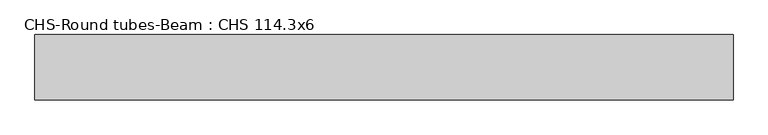
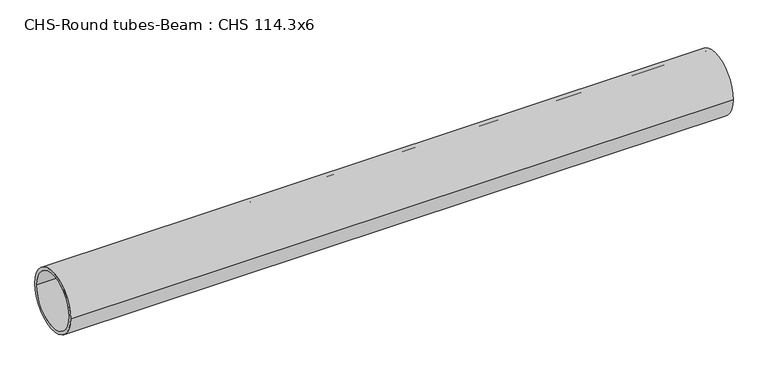
"""IFC4 building model written with IfcOpenShell, lengths in millimetres: beam geometry, CHS-Round tubes-Beam : CHS 114.3x6."""

from ifc_helpers import new_model, si_unit, point, frame, origin, origin_2d, place, context, project, spatial, circle_curve, trimmed, segment, composite_curve, outline, extrude, source, transform, mapped, element, save


def chs_round_tubes_beam_chs_114_3x6_b63eda81(model_context):
    return source(origin(), model_context, "Body", "SweptSolid", [
        extrude(outline(composite_curve([segment(trimmed(circle_curve(origin_2d(), 57.15), [point((57.15, 0.0))], [point((-57.15, 0.0))], False, "CARTESIAN"), True, "CONTINUOUS"), segment(trimmed(circle_curve(origin_2d(), 57.15), [point((-57.15, 0.0))], [point((57.15, 0.0))], False, "CARTESIAN"), True, "CONTINUOUS")], self_intersect=False), holes=[composite_curve([segment(trimmed(circle_curve(origin_2d(), 51.15), [point((51.15, 0.0))], [point((-51.15, 0.0))], True, "CARTESIAN"), True, "CONTINUOUS"), segment(trimmed(circle_curve(origin_2d(), 51.15), [point((-51.15, 0.0))], [point((51.15, 0.0))], True, "CARTESIAN"), True, "CONTINUOUS")], self_intersect=False)]), frame((-606.3552527, 0.0, 0.0), z_axis=(1.0, 0.0, 0.0), x_axis=(0.0, 1.0, 0.0)), (0.0, 0.0, 1.0), 1224.0537999),
    ])


if __name__ == "__main__":
    model = new_model("IFC4")
    model_context = context("Model", 3, world=origin())
    ifc_project = project(units=[si_unit("LENGTHUNIT", "METRE", prefix="MILLI")], contexts=[model_context])
    site = spatial("IfcSite", under=ifc_project)
    building = spatial("IfcBuilding", under=site)
    placement = place(None, origin())
    chs_round_tubes_beam_chs_114_3x6_shape = chs_round_tubes_beam_chs_114_3x6_b63eda81(model_context)
    element("IfcBeam", 1, ObjectType="CHS-Round tubes-Beam : CHS 114.3x6", at=placement, inside=building, context=model_context, shape_type="MappedRepresentation", body=[
        mapped(chs_round_tubes_beam_chs_114_3x6_shape, transform((0.0, 0.0, 0.0), x_axis=(1.0, 0.0, 0.0), y_axis=(0.0, 1.0, 0.0), z_axis=(0.0, 0.0, 1.0))),
    ])
    save(model, "model.ifc")
